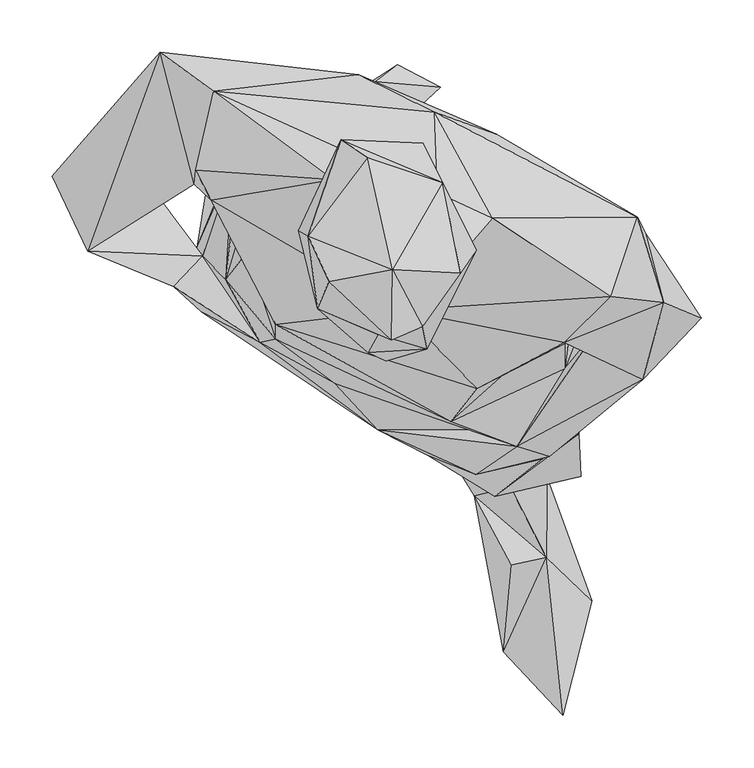
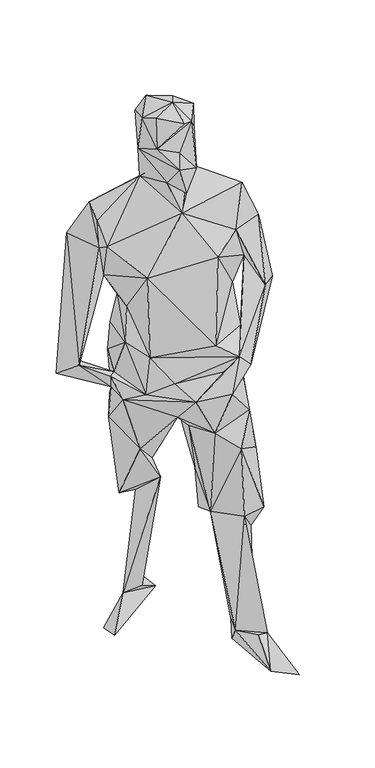
"""IFC4 building model written with IfcOpenShell, lengths in millimetres: geographic element geometry."""

from ifc_helpers import new_model, si_unit, origin, place, context, project, spatial, faceted_brep, source, transform, mapped, element, save


def geographic_element_7e49b576(model_context):
    return source(origin(), model_context, "Body", "Brep", [
        faceted_brep([(-111.2585427, -4.9909707, 1251.7970646), (81.2628557, -65.8191732, 1292.5854762), (7.8854141, 8.9366696, 1424.1251769), (56.4326749, -97.2999844, 1019.5872658), (165.6465659, 0.0458802, 1140.5075648), (164.9623493, -22.080356, 1331.2926128), (199.6078914, -5.3779603, 1223.2684938), (165.1388833, -46.7669101, 1022.2911708), (-111.074029, -18.5755061, 988.4445545), (119.4970369, -121.1966038, 974.0441321), (162.789015, 85.2554281, 1106.742726), (295.7957946, 1.470162, 1114.1922336), (136.5355683, -100.8816349, 918.4951669), (176.8084147, 41.5565143, 1012.8428811), (179.2979218, -11.9787276, 914.5873672), (111.2136678, 138.4824795, 926.4224653), (110.0915955, 134.245543, 1025.5406968), (178.8271494, -109.2777164, 637.9555385), (143.6579657, -133.3788021, 792.7164933), (80.4539611, -147.9467582, 876.4200102), (150.3494959, -130.9192164, 943.8509824), (34.3453358, -129.9577339, 747.7379349), (98.3632046, -169.0865883, 696.5655598), (-13.2533999, -105.5713879, 855.6502356), (239.5745635, -57.6056123, 1136.2356999), (-54.2443872, -61.0057369, 905.5918343), (78.0642023, -105.7279842, 928.3025746), (259.9603502, 16.1129346, 1326.7423943), (243.0514961, 80.9217458, 1289.6332581), (234.4868303, 97.9692402, 1388.0303927), (209.127051, 21.7901149, 1450.8324682), (96.251725, 97.0247078, 1502.8227382), (99.7206705, 177.2981413, 1181.3449714), (40.4164861, 198.0858719, 1401.3905352), (-6.6326846, 186.6088337, 1043.9116826), (-70.1159528, 199.2667889, 1098.5470874), (-32.0802513, 233.9392723, 1221.9549266), (43.3617974, 120.9292993, 1530.6949426), (-170.5836633, 217.9370347, 1398.9080018), (-131.1815365, 130.3147956, 1123.8599877), (-143.2580036, 184.5950908, 1160.7895946), (-221.6473641, 255.2346854, 1288.6787494), (-147.2166758, 140.7754851, 1029.8105351), (-158.9151303, 38.0496676, 1023.7952344), (-138.7018991, 64.2662264, 1124.1223673), (-75.3891831, 195.5544924, 951.3394119), (-152.3901652, 146.4317274, 934.5991496), (-19.4492263, 199.8413031, 882.5091015), (149.0937751, 8.8040166, 725.6455928), (35.4165393, 112.5342161, 753.5737064), (-77.7599951, 193.0011487, 814.8038287), (-187.541408, 65.7932378, 865.0806439), (-131.3999726, 172.5884357, 758.2634594), (-43.5243765, 186.0263474, 743.1917695), (-30.3737052, 198.0120664, 575.8506585), (-169.0776029, 111.0829995, 729.6361833), (25.2460909, 140.9689916, 565.1236703), (-80.3043609, 114.9189905, 448.5829119), (2.7707666, 165.3603146, 496.6973005), (-135.3985203, 111.5448014, 458.3643916), (-119.9558437, 20.1114972, 658.4181704), (-182.3748924, 7.4465595, 855.0897135), (-17.8623682, 82.1764757, 489.4721746), (-105.4437296, 141.5654254, 87.7439369), (-15.976291, 227.4571927, 82.1285908), (-48.8654332, 134.4460083, 98.6873644), (-37.6766394, -45.5281431, 776.1747145), (-1.0133545, -42.6307055, 734.6012502), (23.3560276, -36.7839704, 579.2099166), (135.8154399, -34.1638136, 505.0056514), (37.3215671, -101.125999, 464.2260911), (113.0977483, -160.1060311, 456.1571422), (180.6214727, -150.0831824, 458.3294633), (120.9921375, -45.1461406, 441.6569715), (154.6383034, -123.7958133, 388.5875594), (81.889226, -60.6646307, 321.8767305), (27.1950025, -49.6224569, 450.4440371), (145.2129018, -54.4029766, 349.1534846), (148.5781204, -151.6042184, 83.0691372), (97.6760077, -111.2834797, 81.9580396), (107.7876078, -98.0739656, 3.0590139), (78.8780814, -168.4502342, 83.9608152), (191.0093552, -269.0027323, 1.4482193), (147.7462929, -227.4970831, 86.8542631), (106.5308811, -317.3614999, 24.721462), (163.5699848, -378.0939532, 28.9224941), (114.3046007, -234.2115612, 96.3883612), (46.1455354, 222.2248586, 10.909519), (5.4397987, 243.6100363, 9.2917428), (-190.5236221, 41.9265436, 33.2940813), (-176.9979276, 125.4395231, 3.9975638), (-125.875397, -22.0823509, 870.6420552), (-181.0413726, 60.3913434, 917.7610761), (-208.833826, 31.5426547, 929.5393114), (-290.9015679, 65.135955, 976.02998), (-324.6763904, 137.0930953, 916.8195611), (-274.2420699, 185.2503843, 930.8937673), (-172.7470138, 114.0961335, 1309.0466099), (-189.0025861, 129.521875, 1302.3031789), (-187.800718, 142.6655483, 1384.3340703), (-56.5204464, 133.4476156, 1499.0684801), (-89.2529924, 84.9552144, 1632.1440733), (-32.1410928, 22.568084, 1532.4333717), (-24.8271876, 126.1167511, 1554.1248129), (29.4840276, 168.3514991, 1663.9010701), (80.9396942, 66.3946635, 1661.3918338), (57.0361011, 51.2611785, 1574.7858091), (-48.6719342, 171.66285, 1696.7046051), (48.401642, 130.866362, 1736.282208), (-80.019108, 79.6440755, 1736.5435147), (-23.3350822, 154.4338297, 1749.1935275), (65.4760666, 44.1317851, 1757.5177929), (0.4418465, 47.3384181, 1781.448223), (-60.0053474, 36.1586022, 1754.1506074), (-71.0914052, 10.2412644, 1668.0633816), (-0.2792709, -19.9259815, 1749.3092798), (29.2985119, -7.1154245, 1739.2864012), (-13.3531399, -14.4073878, 1651.8875156), (33.4875766, -28.4517236, 1591.6409296), (-22.9351257, -31.6912677, 1604.6738426), (-5.9075774, -39.8389953, 1526.5726854)], [[[0, 1, 2]], [[1, 0, 3]], [[1, 3, 4]], [[1, 5, 2]], [[1, 6, 5]], [[4, 6, 1]], [[4, 3, 7]], [[0, 8, 3]], [[3, 8, 9]], [[9, 7, 3]], [[10, 4, 7]], [[6, 4, 10]], [[9, 6, 7]], [[7, 11, 12]], [[11, 7, 6]], [[10, 7, 13]], [[12, 14, 7]], [[14, 13, 7]], [[15, 16, 13]], [[16, 10, 13]], [[15, 13, 14]], [[14, 12, 17]], [[14, 17, 15]], [[12, 18, 17]], [[18, 12, 19]], [[20, 19, 12]], [[20, 12, 11]], [[18, 19, 21]], [[18, 21, 22]], [[18, 22, 17]], [[21, 19, 23]], [[19, 9, 23]], [[20, 9, 19]], [[11, 24, 20]], [[24, 9, 20]], [[9, 24, 6]], [[9, 8, 25]], [[9, 26, 23]], [[26, 9, 25]], [[6, 24, 5]], [[24, 11, 27]], [[27, 5, 24]], [[27, 11, 28]], [[11, 6, 28]], [[6, 10, 29]], [[29, 28, 6]], [[27, 28, 29]], [[27, 30, 5]], [[27, 29, 30]], [[5, 30, 2]], [[30, 31, 2]], [[30, 29, 31]], [[32, 29, 10]], [[33, 29, 32]], [[33, 31, 29]], [[32, 10, 34]], [[16, 34, 10]], [[35, 32, 34]], [[35, 36, 32]], [[36, 33, 32]], [[33, 37, 31]], [[38, 37, 33]], [[36, 38, 33]], [[35, 39, 36]], [[40, 36, 39]], [[41, 36, 40]], [[41, 38, 36]], [[34, 42, 35]], [[39, 35, 42]], [[43, 39, 42]], [[39, 43, 44]], [[40, 39, 44]], [[34, 45, 42]], [[42, 46, 43]], [[46, 42, 45]], [[34, 15, 45]], [[15, 47, 45]], [[47, 46, 45]], [[34, 16, 15]], [[15, 48, 49]], [[47, 15, 49]], [[17, 48, 15]], [[50, 46, 47]], [[49, 50, 47]], [[46, 50, 51]], [[51, 50, 52]], [[53, 52, 50]], [[50, 49, 53]], [[54, 52, 53]], [[55, 51, 52]], [[54, 55, 52]], [[53, 49, 56]], [[54, 53, 56]], [[55, 54, 57]], [[54, 56, 58]], [[54, 58, 57]], [[55, 59, 60]], [[59, 55, 57]], [[55, 60, 61]], [[51, 55, 61]], [[62, 60, 59]], [[59, 57, 62]], [[63, 62, 57]], [[57, 64, 63]], [[64, 57, 58]], [[60, 62, 58]], [[62, 63, 65]], [[65, 58, 62]], [[60, 66, 61]], [[66, 60, 58]], [[58, 49, 66]], [[66, 23, 61]], [[66, 21, 23]], [[67, 21, 66]], [[49, 67, 66]], [[49, 68, 67]], [[48, 69, 49]], [[68, 49, 69]], [[49, 58, 56]], [[67, 70, 21]], [[67, 68, 70]], [[21, 70, 22]], [[71, 22, 70]], [[72, 17, 22]], [[72, 22, 71]], [[72, 69, 17]], [[17, 69, 48]], [[69, 72, 73]], [[72, 71, 74]], [[74, 73, 72]], [[70, 73, 75]], [[70, 76, 73]], [[69, 73, 76]], [[75, 73, 77]], [[73, 74, 77]], [[77, 74, 78]], [[71, 78, 74]], [[78, 79, 77]], [[77, 79, 75]], [[79, 70, 75]], [[79, 78, 80]], [[70, 79, 81]], [[79, 80, 81]], [[80, 78, 82]], [[83, 78, 71]], [[82, 78, 83]], [[84, 81, 80]], [[82, 84, 80]], [[85, 84, 82]], [[82, 83, 85]], [[83, 71, 81]], [[81, 86, 83]], [[83, 84, 85]], [[84, 83, 86]], [[70, 81, 71]], [[86, 81, 84]], [[70, 68, 76]], [[69, 76, 68]], [[58, 65, 64]], [[64, 65, 87]], [[65, 63, 87]], [[88, 63, 64]], [[87, 88, 64]], [[87, 63, 89]], [[87, 89, 88]], [[88, 90, 63]], [[89, 63, 90]], [[89, 90, 88]], [[23, 26, 25]], [[91, 23, 25]], [[61, 23, 91]], [[8, 91, 25]], [[43, 92, 91]], [[93, 91, 92]], [[43, 91, 8]], [[93, 61, 91]], [[93, 51, 61]], [[92, 94, 93]], [[93, 94, 51]], [[46, 51, 92]], [[51, 95, 96]], [[51, 96, 92]], [[51, 94, 95]], [[92, 43, 46]], [[94, 92, 96]], [[43, 8, 44]], [[8, 0, 44]], [[40, 44, 0]], [[0, 2, 97]], [[0, 97, 40]], [[40, 97, 98]], [[94, 40, 98]], [[40, 94, 96]], [[96, 41, 40]], [[95, 41, 96]], [[94, 41, 95]], [[38, 41, 98]], [[94, 98, 41]], [[98, 97, 99]], [[99, 38, 98]], [[97, 100, 99]], [[2, 100, 97]], [[99, 100, 38]], [[38, 100, 37]], [[101, 100, 102]], [[100, 2, 102]], [[101, 103, 100]], [[100, 103, 37]], [[103, 104, 37]], [[104, 105, 37]], [[105, 106, 37]], [[106, 31, 37]], [[107, 103, 101]], [[107, 104, 103]], [[108, 105, 104]], [[108, 104, 107]], [[109, 107, 101]], [[108, 107, 110]], [[109, 110, 107]], [[111, 105, 108]], [[112, 108, 110]], [[112, 111, 108]], [[109, 112, 110]], [[113, 109, 114]], [[109, 113, 112]], [[101, 114, 109]], [[112, 115, 116]], [[111, 112, 116]], [[113, 115, 112]], [[105, 111, 116]], [[116, 114, 117]], [[116, 118, 105]], [[116, 117, 118]], [[114, 116, 115]], [[114, 115, 113]], [[101, 119, 114]], [[114, 119, 117]], [[119, 101, 102]], [[119, 102, 120]], [[119, 120, 118]], [[119, 118, 117]], [[106, 118, 120]], [[118, 106, 105]], [[106, 120, 102]], [[102, 2, 106]], [[31, 106, 2]]]),
    ])


if __name__ == "__main__":
    model = new_model("IFC4")
    model_context = context("Model", 3, world=origin())
    ifc_project = project(units=[si_unit("LENGTHUNIT", "METRE", prefix="MILLI")], contexts=[model_context])
    site = spatial("IfcSite", under=ifc_project)
    building = spatial("IfcBuilding", under=site)
    placement = place(None, origin())
    geographic_element_shape = geographic_element_7e49b576(model_context)
    element("IfcGeographicElement", 1, at=placement, inside=building, context=model_context, shape_type="MappedRepresentation", body=[
        mapped(geographic_element_shape, transform((0.0, 0.0, 0.0), x_axis=(1.0, 0.0, 0.0), y_axis=(0.0, 1.0, 0.0), z_axis=(0.0, 0.0, 1.0))),
    ])
    save(model, "model.ifc")
